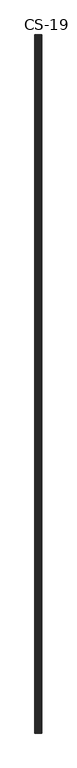
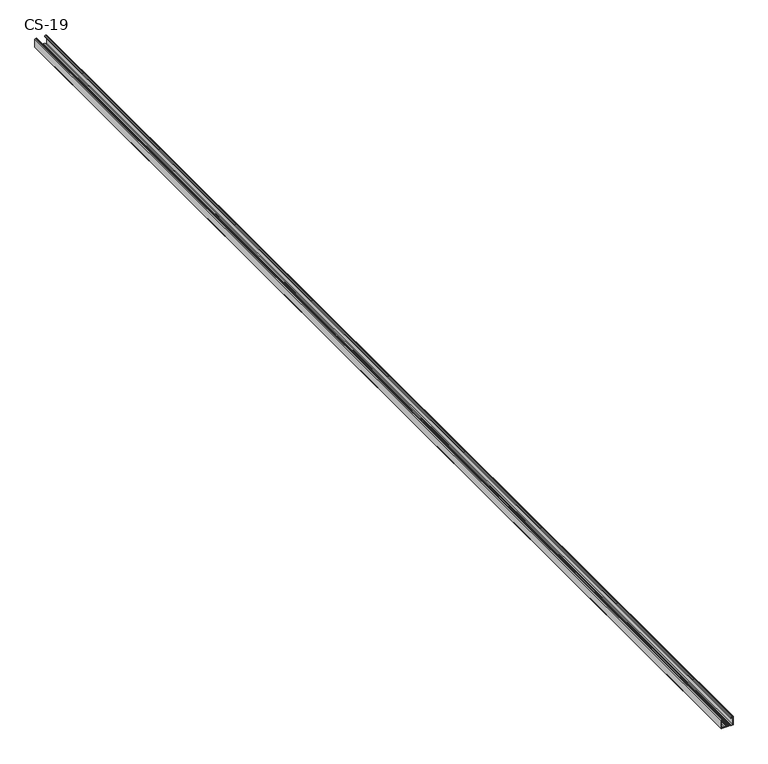
"""IFC4 building model written with IfcOpenShell, lengths in millimetres: proxy geometry, CS-19."""

from ifc_helpers import new_model, si_unit, point, frame, frame_2d, origin, place, context, project, spatial, polyline, circle_curve, trimmed, segment, composite_curve, outline, extrude, source, transform, mapped, element, save


def cs_19_d2a90ee9(model_context):
    return source(origin(), model_context, "Body", "SweptSolid", [
        extrude(outline(composite_curve([segment(polyline([(-19.0, -12.5), (-19.0, -7.6), (-17.7, -7.6), (-17.7, -6.8), (-18.5, -6.8), (-18.5, -4.7), (-17.7, -4.7), (-17.7, -3.9), (-18.5, -3.9), (-18.5, -1.8), (-17.7, -1.8), (-17.7, -1.0), (-18.5, -1.0), (-18.5, 1.0), (-17.7, 1.0), (-17.7, 1.8), (-18.5, 1.8), (-18.5, 3.9), (-17.7, 3.9), (-17.7, 4.7), (-18.5, 4.7), (-18.5, 6.8), (-17.7, 6.8), (-17.7, 7.6), (-19.0, 7.6), (-19.0, 12.5), (-1.0, 12.5)]), True, "CONTINUOUS"), segment(trimmed(circle_curve(frame_2d((-1.0, 11.5)), 1.0), [point((-1.0, 12.5))], [point((0.0, 11.5))], False, "CARTESIAN"), True, "CONTINUOUS"), segment(polyline([(0.0, 11.5), (0.0, 9.2778679)]), True, "CONTINUOUS"), segment(trimmed(circle_curve(frame_2d((-0.7947911, 9.3690108)), 0.8), [point((0.0, 9.2778679))], [point((-0.4479055, 8.6481292))], False, "CARTESIAN"), True, "CONTINUOUS"), segment(polyline([(-0.4479055, 8.6481292), (-2.9940841, 8.0), (-3.1346768, 8.7973409), (-0.5, 9.1466568), (-0.5, 11.5)]), True, "CONTINUOUS"), segment(trimmed(circle_curve(frame_2d((-1.0, 11.5)), 0.5), [point((-0.5, 11.5))], [point((-1.0, 12.0))], True, "CARTESIAN"), True, "CONTINUOUS"), segment(polyline([(-1.0, 12.0), (-18.5, 12.0), (-18.5, 8.0671937), (-17.2, 8.0671937), (-17.2, 6.3), (-18.0, 6.3), (-18.0, 5.2), (-17.2, 5.2), (-17.2, 3.4), (-18.0, 3.4), (-18.0, 2.3), (-17.2, 2.3), (-17.2, 0.5), (-18.0, 0.5), (-18.0, -0.5), (-17.2, -0.5), (-17.2, -2.3), (-18.0, -2.3), (-18.0, -3.4), (-17.2, -3.4), (-17.2, -5.2), (-18.0, -5.2), (-18.0, -6.3), (-17.2, -6.3), (-17.2, -8.1), (-18.5, -8.1), (-18.5, -12.0), (-1.0, -12.0)]), True, "CONTINUOUS"), segment(trimmed(circle_curve(frame_2d((-1.0, -11.5)), 0.5), [point((-1.0, -12.0))], [point((-0.5, -11.5))], True, "CARTESIAN"), True, "CONTINUOUS"), segment(polyline([(-0.5, -11.5), (-0.5, -9.1466568), (-3.1346768, -8.7973409), (-2.9940841, -8.0), (-0.4479055, -8.6481292)]), True, "CONTINUOUS"), segment(trimmed(circle_curve(frame_2d((-0.7947911, -9.3690108)), 0.8), [point((-0.4479055, -8.6481292))], [point((0.0, -9.2778679))], False, "CARTESIAN"), True, "CONTINUOUS"), segment(polyline([(0.0, -9.2778679), (0.0, -11.5)]), True, "CONTINUOUS"), segment(trimmed(circle_curve(frame_2d((-1.0, -11.5)), 1.0), [point((0.0, -11.5))], [point((-1.0, -12.5))], False, "CARTESIAN"), True, "CONTINUOUS"), segment(polyline([(-1.0, -12.5), (-19.0, -12.5)]), True, "CONTINUOUS")], self_intersect=False)), frame((0.0, 0.0, 0.0), z_axis=(0.0, 1.0, 0.0), x_axis=(0.0, 0.0, 1.0)), (0.0, 0.0, 1.0), 2500.0),
    ])


if __name__ == "__main__":
    model = new_model("IFC4")
    model_context = context("Model", 3, world=origin())
    ifc_project = project(units=[si_unit("LENGTHUNIT", "METRE", prefix="MILLI")], contexts=[model_context])
    site = spatial("IfcSite", under=ifc_project)
    building = spatial("IfcBuilding", under=site)
    placement = place(None, origin())
    cs_19_shape = cs_19_d2a90ee9(model_context)
    element("IfcBuildingElementProxy", 1, Name="CS-19", ObjectType="CS-19", at=placement, inside=building, context=model_context, shape_type="MappedRepresentation", body=[
        mapped(cs_19_shape, transform((0.0, 0.0, 0.0), x_axis=(1.0, 0.0, 0.0), y_axis=(0.0, 1.0, 0.0), z_axis=(0.0, 0.0, 1.0))),
    ])
    save(model, "model.ifc")
